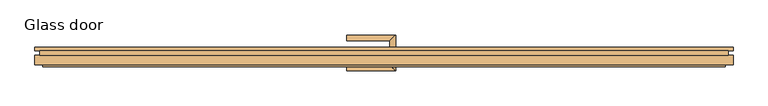
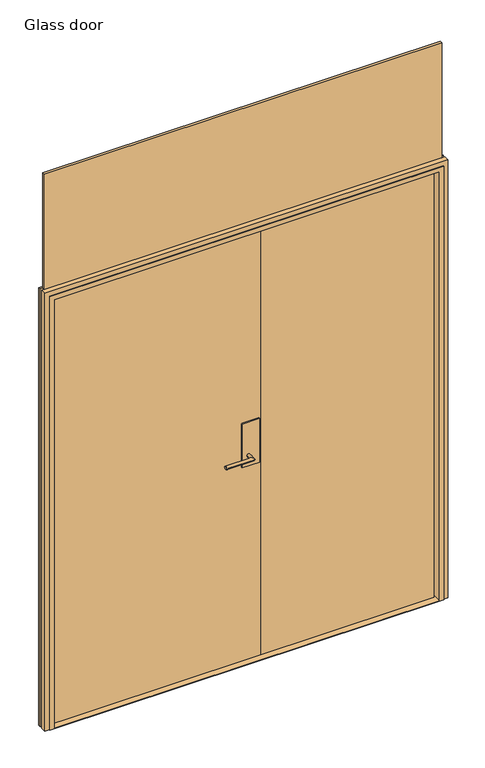
"""IFC4 building model written with IfcOpenShell, lengths in millimetres: door geometry, Glass door."""

from ifc_helpers import new_model, si_unit, frame, origin, origin_with_axes, place, context, project, spatial, polyline, circle_curve, ellipse_curve, outline, extrude, faceted_brep, source, transform, mapped, element, save
from ifc_brep_helpers import plane_surface, cylinder_surface, advanced_brep


def glass_door_5e0036d5(model_context):
    return source(origin(), model_context, "Body", "SolidModel", [
        advanced_brep(
        [(30.0231001, 10.0, 977.0), (15.0231001, 10.0, 977.0), (30.0231001, 47.5, 977.0), (15.0231001, 32.5, 977.0), (-97.4768999, 47.5, 977.0), (-97.4768999, 32.5, 977.0)],
        [
            (0, 1, circle_curve(frame((22.5231001, 10.0, 977.0), z_axis=(0.0, -1.0, 0.0), x_axis=(-1.0, 0.0, 0.0)), 7.5)),
            (1, 0, circle_curve(frame((22.5231001, 10.0, 977.0), z_axis=(0.0, -1.0, 0.0), x_axis=(-1.0, 0.0, 0.0)), 7.5)),
            (0, 2),
            (2, 3, ellipse_curve(frame((22.5231001, 40.0, 977.0), z_axis=(0.7071067811865475, -0.7071067811865475, 0.0), x_axis=(-0.7071067811865474, -0.7071067811865476, 0.0)), 10.6066017, 7.5)),
            (3, 1),
            (3, 2, ellipse_curve(frame((22.5231001, 40.0, 977.0), z_axis=(0.7071067811865475, -0.7071067811865475, 0.0), x_axis=(-0.7071067811865474, -0.7071067811865476, 0.0)), 10.6066017, 7.5)),
            (4, 5, circle_curve(frame((-97.4768999, 40.0, 977.0), z_axis=(-1.0, 0.0, 0.0), x_axis=(0.0, -1.0, 0.0)), 7.5)),
            (5, 4, circle_curve(frame((-97.4768999, 40.0, 977.0), z_axis=(-1.0, 0.0, 0.0), x_axis=(0.0, -1.0, 0.0)), 7.5)),
            (2, 4),
            (5, 3),
        ],
        [
            plane_surface(frame((22.5231001, 10.0, 977.0), z_axis=(0.0, -1.0, 0.0), x_axis=(0.0, 0.0, 1.0))),
            cylinder_surface(frame((22.5231001, 10.0, 977.0), z_axis=(0.0, -1.0, 0.0), x_axis=(-1.0, 0.0, 0.0)), 7.5),
            plane_surface(frame((-97.4768999, 40.0, 977.0), z_axis=(-1.0, 0.0, 0.0), x_axis=(0.0, 0.0, 1.0))),
            cylinder_surface(frame((22.5231001, 40.0, 977.0), z_axis=(1.0, 0.0, 0.0), x_axis=(0.0, -1.0, 0.0)), 7.5),
        ],
        [
            (0, [[1, 2]]),
            (1, [[-1, 3, 4, 5]]),
            (1, [[-2, -5, 6, -3]]),
            (2, [[7, 8]]),
            (3, [[-4, 9, -8, 10]]),
            (3, [[-6, -10, -7, -9]]),
        ],
    ),
        advanced_brep(
        [(15.0231001, -8.0, 977.0), (30.0231001, -8.0, 977.0), (15.0231001, -30.5, 977.0), (30.0231001, -45.5, 977.0), (-97.4768999, -30.5, 977.0), (-97.4768999, -45.5, 977.0)],
        [
            (0, 1, circle_curve(frame((22.5231001, -8.0, 977.0), z_axis=(0.0, 1.0, 0.0), x_axis=(1.0, 0.0, 0.0)), 7.5)),
            (1, 0, circle_curve(frame((22.5231001, -8.0, 977.0), z_axis=(0.0, 1.0, 0.0), x_axis=(1.0, 0.0, 0.0)), 7.5)),
            (0, 2),
            (2, 3, ellipse_curve(frame((22.5231001, -38.0, 977.0), z_axis=(0.7071067811865475, 0.7071067811865475, 0.0), x_axis=(-0.7071067811865474, 0.7071067811865476, 0.0)), 10.6066017, 7.5)),
            (3, 1),
            (3, 2, ellipse_curve(frame((22.5231001, -38.0, 977.0), z_axis=(0.7071067811865475, 0.7071067811865475, 0.0), x_axis=(-0.7071067811865474, 0.7071067811865476, 0.0)), 10.6066017, 7.5)),
            (4, 5, circle_curve(frame((-97.4768999, -38.0, 977.0), z_axis=(-1.0, 0.0, 0.0), x_axis=(0.0, -1.0, 0.0)), 7.5)),
            (5, 4, circle_curve(frame((-97.4768999, -38.0, 977.0), z_axis=(-1.0, 0.0, 0.0), x_axis=(0.0, -1.0, 0.0)), 7.5)),
            (2, 4),
            (5, 3),
        ],
        [
            plane_surface(frame((22.5231001, -8.0, 977.0), z_axis=(0.0, 1.0, 0.0), x_axis=(0.0, 0.0, 1.0))),
            cylinder_surface(frame((22.5231001, -8.0, 977.0), z_axis=(0.0, 1.0, 0.0), x_axis=(1.0, 0.0, 0.0)), 7.5),
            plane_surface(frame((-97.4768999, -38.0, 977.0), z_axis=(-1.0, 0.0, 0.0), x_axis=(0.0, 0.0, 1.0))),
            cylinder_surface(frame((22.5231001, -38.0, 977.0), z_axis=(1.0, 0.0, 0.0), x_axis=(0.0, -1.0, 0.0)), 7.5),
        ],
        [
            (0, [[1, 2]]),
            (1, [[-1, 3, 4, 5]]),
            (1, [[-2, -5, 6, -3]]),
            (2, [[7, 8]]),
            (3, [[-4, 9, -8, 10]]),
            (3, [[-6, -10, -7, -9]]),
        ],
    ),
        extrude(outline(polyline([(72.5231001, 10.0), (72.5231001, -8.0), (-7.4768999, -8.0), (-7.4768999, 10.0), (72.5231001, 10.0)])), frame((0.0, 0.0, 927.0), z_axis=(0.0, 0.0, 1.0), x_axis=(1.0, 0.0, 0.0)), (0.0, 0.0, 1.0), 210.0),
        extrude(outline(polyline([(864.0, 6.0), (864.0, -4.0), (82.5231001, -4.0), (82.5231001, 6.0), (864.0, 6.0)])), origin_with_axes(), (0.0, 0.0, 1.0), 2050.0),
        faceted_brep([(911.0, 16.0, 0.0), (911.0, 6.0, 0.0), (899.0, 6.0, 0.0), (899.0, -6.0, 0.0), (911.0, -6.0, 0.0), (911.0, -30.0, 0.0), (891.0, -30.0, 0.0), (891.0, -35.0, 0.0), (871.0, -35.0, 0.0), (871.0, 9.0, 0.0), (859.0, 9.0, 0.0), (859.0, 16.0, 0.0), (859.0, 16.0, 2038.0), (-859.0, 16.0, 2038.0), (-859.0, 16.0, 0.0), (-911.0, 16.0, 0.0), (-911.0, 16.0, 2090.0), (911.0, 16.0, 2090.0), (859.0, 9.0, 2038.0), (871.0, 9.0, 2050.0), (-871.0, 9.0, 2050.0), (-871.0, 9.0, 0.0), (-859.0, 9.0, 0.0), (-859.0, 9.0, 2038.0), (871.0, -35.0, 2050.0), (891.0, -35.0, 2070.0), (-891.0, -35.0, 2070.0), (-891.0, -35.0, 0.0), (-871.0, -35.0, 0.0), (-871.0, -35.0, 2050.0), (891.0, -30.0, 2070.0), (911.0, -30.0, 2090.0), (-911.0, -30.0, 2090.0), (-911.0, -30.0, 0.0), (-891.0, -30.0, 0.0), (-891.0, -30.0, 2070.0), (911.0, -6.0, 2090.0), (899.0, -6.0, 2078.0), (-899.0, -6.0, 2078.0), (-899.0, -6.0, 0.0), (-911.0, -6.0, 0.0), (-911.0, -6.0, 2090.0), (899.0, 6.0, 2078.0), (911.0, 6.0, 2090.0), (-911.0, 6.0, 2090.0), (-911.0, 6.0, 0.0), (-899.0, 6.0, 0.0), (-899.0, 6.0, 2078.0)], [[[0, 1, 2, 3, 4, 5, 6, 7, 8, 9, 10, 11]], [[11, 12, 13, 14, 15, 16, 17, 0]], [[10, 18, 12, 11]], [[9, 19, 20, 21, 22, 23, 18, 10]], [[8, 24, 19, 9]], [[7, 25, 26, 27, 28, 29, 24, 8]], [[6, 30, 25, 7]], [[5, 31, 32, 33, 34, 35, 30, 6]], [[4, 36, 31, 5]], [[3, 37, 38, 39, 40, 41, 36, 4]], [[2, 42, 37, 3]], [[1, 43, 44, 45, 46, 47, 42, 2]], [[0, 17, 43, 1]], [[15, 14, 22, 21, 28, 27, 34, 33, 40, 39, 46, 45]], [[16, 15, 45, 44]], [[47, 46, 39, 38]], [[41, 40, 33, 32]], [[35, 34, 27, 26]], [[29, 28, 21, 20]], [[23, 22, 14, 13]], [[18, 23, 13, 12]], [[24, 29, 20, 19]], [[30, 35, 26, 25]], [[36, 41, 32, 31]], [[42, 47, 38, 37]], [[17, 16, 44, 43]]]),
        extrude(outline(polyline([(-864.0, -4.0), (-864.0, 6.0), (82.5231001, 6.0), (82.5231001, -4.0), (-864.0, -4.0)])), origin_with_axes(), (0.0, 0.0, 1.0), 2050.0),
        extrude(outline(polyline([(871.0, -35.0), (-871.0, -35.0), (-871.0, 9.0), (-859.0, 9.0), (-859.0, 16.0), (859.0, 16.0), (859.0, 9.0), (871.0, 9.0), (871.0, -35.0)])), origin_with_axes(), (0.0, 0.0, 1.0), 2.0),
        extrude(outline(polyline([(899.0, -6.0), (-899.0, -6.0), (-899.0, 6.0), (899.0, 6.0), (899.0, -6.0)])), frame((0.0, 0.0, 2090.0), z_axis=(0.0, 0.0, 1.0), x_axis=(1.0, 0.0, 0.0)), (0.0, 0.0, 1.0), 550.0000015),
    ])


if __name__ == "__main__":
    model = new_model("IFC4")
    model_context = context("Model", 3, world=origin())
    ifc_project = project(units=[si_unit("LENGTHUNIT", "METRE", prefix="MILLI")], contexts=[model_context])
    site = spatial("IfcSite", under=ifc_project)
    building = spatial("IfcBuilding", under=site)
    placement = place(None, origin())
    glass_door_shape = glass_door_5e0036d5(model_context)
    element("IfcDoor", 1, ObjectType="Glass door", at=placement, inside=building, context=model_context, shape_type="MappedRepresentation", body=[
        mapped(glass_door_shape, transform((0.0, 0.0, 0.0), x_axis=(1.0, 0.0, 0.0), y_axis=(0.0, 1.0, 0.0), z_axis=(0.0, 0.0, 1.0))),
    ])
    save(model, "model.ifc")
